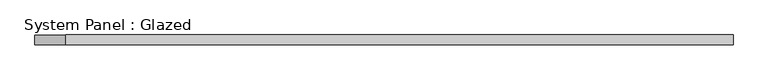
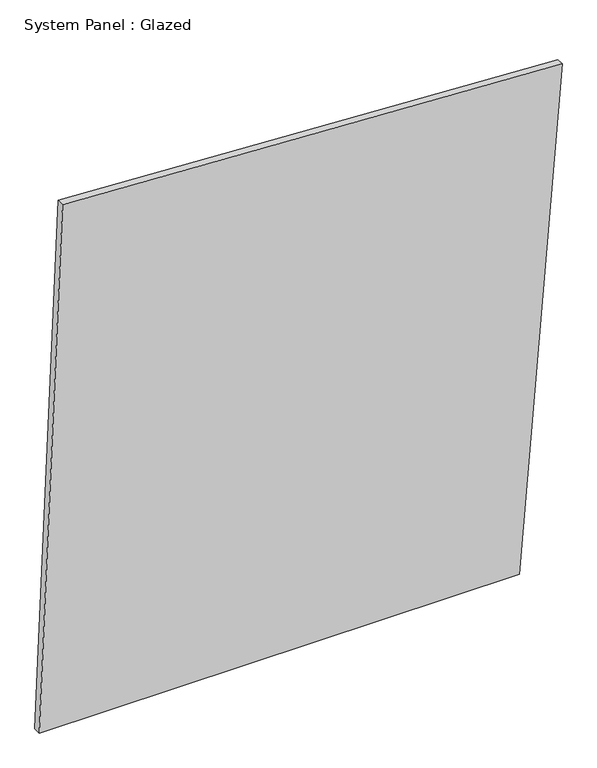
"""IFC4 building model written with IfcOpenShell, lengths in millimetres: plate geometry, System Panel : Glazed."""

from ifc_helpers import new_model, si_unit, frame, origin, place, context, project, spatial, polyline, outline, extrude, source, transform, mapped, element, save


def system_panel_glazed_9f984f7d(model_context):
    return source(origin(), model_context, "Body", "SweptSolid", [
        extrude(outline(polyline([(0.0, -876.2131015), (0.0, 732.2972741), (1756.0100132, 876.2131015), (1843.0760176, -798.1889093), (0.0, -876.2131015)])), frame((0.0, 24.5, 0.0), z_axis=(0.0, 1.0, 0.0), x_axis=(0.0, 0.0, 1.0)), (0.0, 0.0, 1.0), 25.0),
    ])


if __name__ == "__main__":
    model = new_model("IFC4")
    model_context = context("Model", 3, world=origin())
    ifc_project = project(units=[si_unit("LENGTHUNIT", "METRE", prefix="MILLI")], contexts=[model_context])
    site = spatial("IfcSite", under=ifc_project)
    building = spatial("IfcBuilding", under=site)
    placement = place(None, origin())
    system_panel_glazed_shape = system_panel_glazed_9f984f7d(model_context)
    element("IfcPlate", 1, ObjectType="System Panel : Glazed", at=placement, inside=building, context=model_context, shape_type="MappedRepresentation", body=[
        mapped(system_panel_glazed_shape, transform((0.0, 0.0, 0.0), x_axis=(1.0, 0.0, 0.0), y_axis=(0.0, 1.0, 0.0), z_axis=(0.0, 0.0, 1.0))),
    ])
    save(model, "model.ifc")
